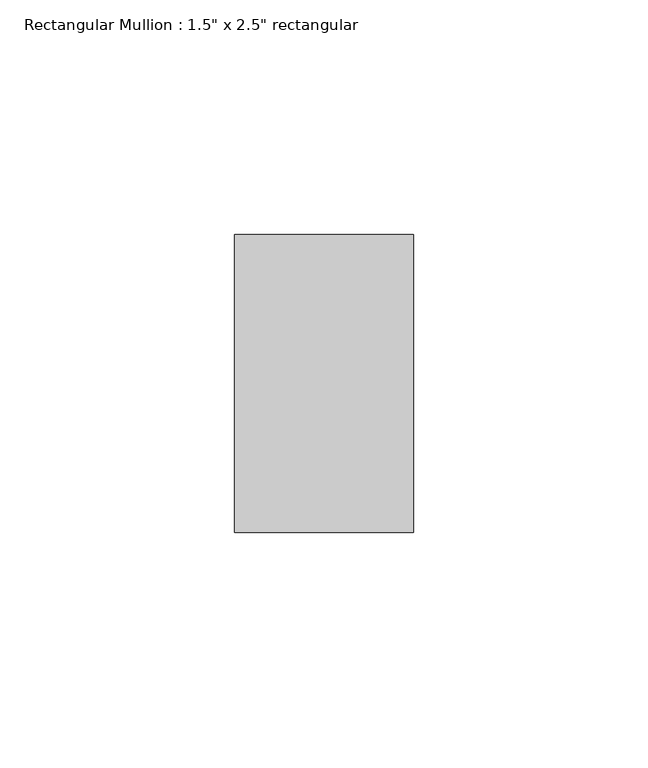
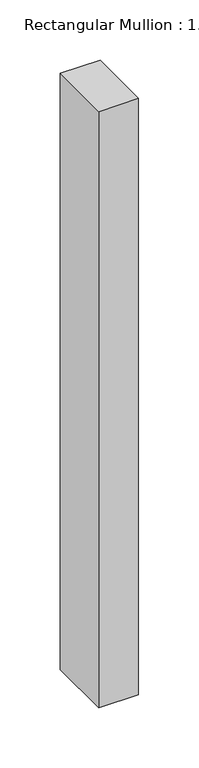
"""IFC4 building model written with IfcOpenShell, lengths in millimetres: member geometry."""

from ifc_helpers import new_model, si_unit, frame, origin, place, context, project, spatial, polyline, outline, extrude, source, transform, mapped, element, save


def member_62c37e5d(model_context):
    return source(origin(), model_context, "Body", "SweptSolid", [
        extrude(outline(polyline([(19.05, -19.05), (19.05, -82.55), (-19.05, -82.55), (-19.05, -19.05), (19.05, -19.05)])), frame((0.0, 0.0, -603.25), z_axis=(0.0, 0.0, 1.0), x_axis=(1.0, 0.0, 0.0)), (0.0, 0.0, 1.0), 603.25),
    ])


if __name__ == "__main__":
    model = new_model("IFC4")
    model_context = context("Model", 3, world=origin())
    ifc_project = project(units=[si_unit("LENGTHUNIT", "METRE", prefix="MILLI")], contexts=[model_context])
    site = spatial("IfcSite", under=ifc_project)
    building = spatial("IfcBuilding", under=site)
    placement = place(None, origin())
    member_shape = member_62c37e5d(model_context)
    element("IfcMember", 1, ObjectType="Rectangular Mullion : 1.5\" x 2.5\" rectangular", at=placement, inside=building, context=model_context, shape_type="MappedRepresentation", body=[
        mapped(member_shape, transform((0.0, 0.0, 0.0), x_axis=(1.0, 0.0, 0.0), y_axis=(0.0, 1.0, 0.0), z_axis=(0.0, 0.0, 1.0))),
    ])
    save(model, "model.ifc")
